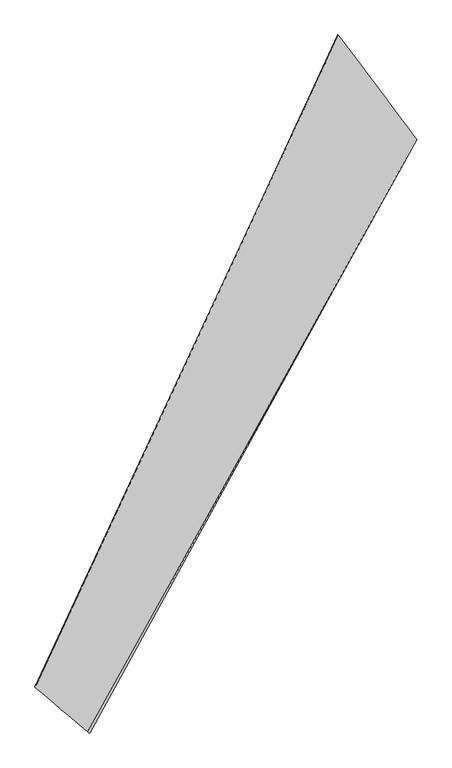
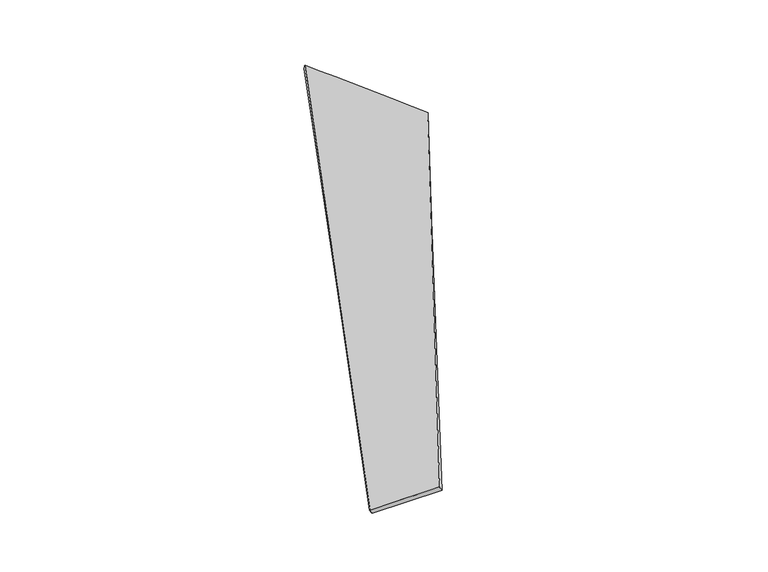
"""IFC4 building model written with IfcOpenShell, lengths in millimetres: proxy geometry."""

from ifc_helpers import new_model, si_unit, origin, place, context, project, spatial, source, transform, mapped, element, save
from ifc_brep_helpers import spline_surface, advanced_brep


def generic_models_4e559066(model_context):
    return source(origin(), model_context, "Body", "AdvancedBrep", [
        advanced_brep(
        [(-787.3836192, -1994.7051686, 120.1540303), (-775.9776731, -2002.3460502, 93.4796733), (1362.9969756, 1888.2916571, -99.3697977), (1368.3651294, 1886.7534236, -69.8940999), (-1121.2241944, -1706.6611822, -143.3917819), (849.8998942, 2572.5185663, 37.4195728), (-1134.9406046, -1701.4016507, -117.2346142), (853.9590943, 2569.3533957, 66.9746838)],
        [
            (0, 1),
            (1, 2),
            (2, 3),
            (3, 0),
            (1, 4),
            (4, 5),
            (5, 2),
            (4, 6),
            (6, 7),
            (7, 5),
            (6, 0),
            (3, 7),
        ],
        [
            spline_surface(1, 1, [[(-787.3836192, -1994.7051686, 120.1540303), (1368.3651294, 1886.7534236, -69.8940999)], [(-775.9776731, -2002.3460502, 93.4796733), (1362.9969756, 1888.2916571, -99.3697977)]], [2, 2], [2, 2], [0.0, 1.0], [0.0, 1.0]),
            spline_surface(1, 1, [[(-775.9776731, -2002.3460502, 93.4796733), (1362.9969756, 1888.2916571, -99.3697977)], [(-1121.2241944, -1706.6611822, -143.3917819), (849.8998942, 2572.5185663, 37.4195728)]], [2, 2], [2, 2], [0.0, 1.0], [0.0, 1.0]),
            spline_surface(1, 1, [[(-1121.2241944, -1706.6611822, -143.3917819), (849.8998942, 2572.5185663, 37.4195728)], [(-1134.9406046, -1701.4016507, -117.2346142), (853.9590943, 2569.3533957, 66.9746838)]], [2, 2], [2, 2], [0.0, 1.0], [0.0, 1.0]),
            spline_surface(1, 1, [[(-1134.9406046, -1701.4016507, -117.2346142), (853.9590943, 2569.3533957, 66.9746838)], [(-787.3836192, -1994.7051686, 120.1540303), (1368.3651294, 1886.7534236, -69.8940999)]], [2, 2], [2, 2], [0.0, 1.0], [0.0, 1.0]),
            spline_surface(1, 1, [[(1362.9969756, 1888.2916571, -99.3697977), (1368.3651294, 1886.7534236, -69.8940999)], [(849.8998942, 2572.5185663, 37.4195728), (853.9590943, 2569.3533957, 66.9746838)]], [2, 2], [2, 2], [0.0, 1.0], [0.0, 1.0]),
            spline_surface(1, 1, [[(-1134.9406046, -1701.4016507, -117.2346142), (-787.3836192, -1994.7051686, 120.1540303)], [(-1121.2241944, -1706.6611822, -143.3917819), (-775.9776731, -2002.3460502, 93.4796733)]], [2, 2], [2, 2], [0.0, 1.0], [0.0, 1.0]),
        ],
        [
            (0, [[1, 2, 3, 4]]),
            (1, [[5, 6, 7, -2]]),
            (2, [[8, 9, 10, -6]]),
            (3, [[11, -4, 12, -9]]),
            (4, [[-3, -7, -10, -12]]),
            (5, [[-11, -8, -5, -1]]),
        ],
    ),
    ])


if __name__ == "__main__":
    model = new_model("IFC4")
    model_context = context("Model", 3, world=origin())
    ifc_project = project(units=[si_unit("LENGTHUNIT", "METRE", prefix="MILLI")], contexts=[model_context])
    site = spatial("IfcSite", under=ifc_project)
    building = spatial("IfcBuilding", under=site)
    placement = place(None, origin())
    generic_models_shape = generic_models_4e559066(model_context)
    element("IfcBuildingElementProxy", 1, Name="Generic Models", at=placement, inside=building, context=model_context, shape_type="MappedRepresentation", body=[
        mapped(generic_models_shape, transform((0.0, 0.0, 0.0), x_axis=(1.0, 0.0, 0.0), y_axis=(0.0, 1.0, 0.0), z_axis=(0.0, 0.0, 1.0))),
    ])
    save(model, "model.ifc")
